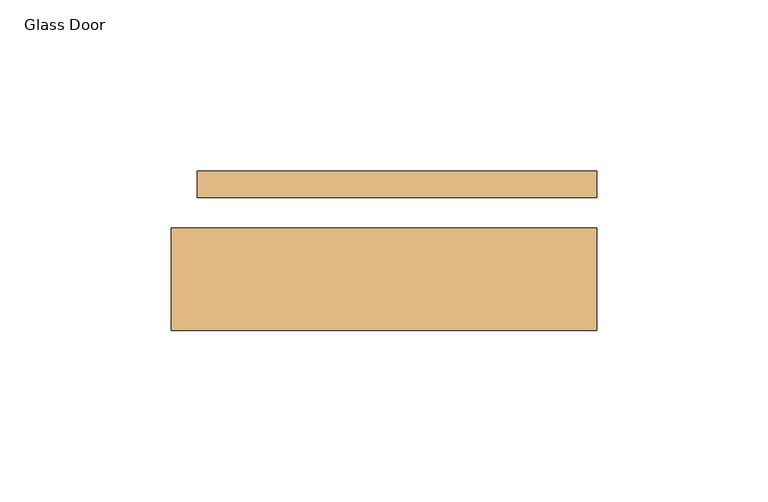
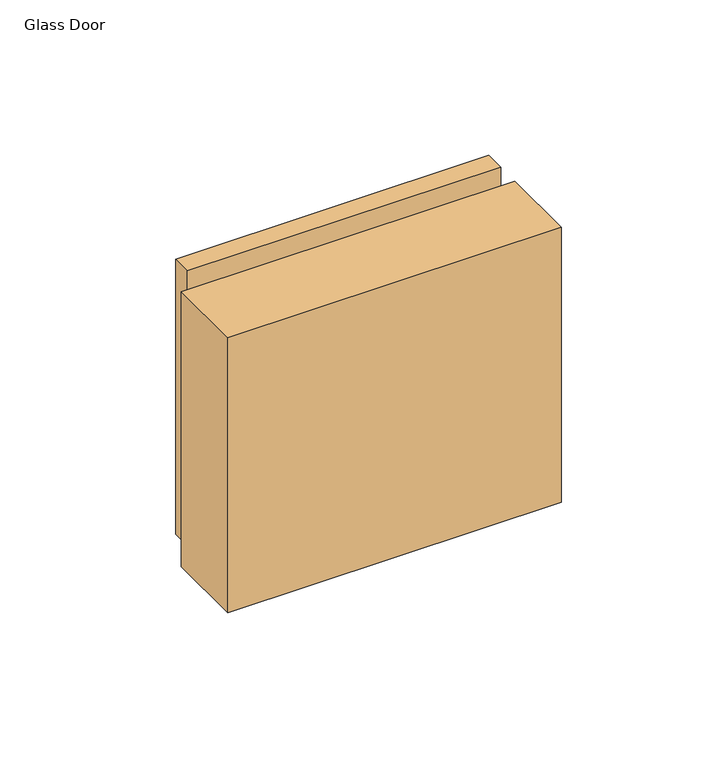
"""IFC4 building model written with IfcOpenShell, lengths in millimetres: door geometry, Glass Door."""

import ifcopenshell
import ifcopenshell.guid

model = None  # the IFC model being written
_history = None  # IfcOwnerHistory: only IFC2X3 demands one
_inside = {}  # id of a spatial element -> (the spatial element, [elements in it])
_under = {}  # id of a project, library or spatial element -> (it, [spatial elements below it])
_declared = {}  # id of a project -> (the project, [libraries it declares])
_typed = {}  # id of a type object -> (the type object, [elements of that type])
_made_of = {}  # id of a material, layer set ... -> (it, [elements and type objects made of it])


def new_model(schema):
    """Start an empty IFC model of exactly this schema.

    Asked for "IFC4X3", IfcOpenShell would pick the latest addendum, in which some entities
    have other attributes; the version numbers below select the first issue.
    IFC2X3 requires an IfcOwnerHistory on every rooted entity: one is made here for all.
    """
    global model, _history
    if schema == "IFC4X3":
        model = ifcopenshell.file(schema_version=(4, 3, 0, 0))
    else:
        model = ifcopenshell.file(schema=schema)
    _inside.clear()
    _under.clear()
    _declared.clear()
    _typed.clear()
    _made_of.clear()
    _history = None
    if model.schema == "IFC2X3":
        org = make("IfcOrganization", Name="unknown")
        user = make(
            "IfcPersonAndOrganization",
            ThePerson=make("IfcPerson", FamilyName="unknown"),
            TheOrganization=org,
        )
        app = make(
            "IfcApplication",
            ApplicationDeveloper=org,
            Version="unknown",
            ApplicationFullName="unknown",
            ApplicationIdentifier="unknown",
        )
        _history = make(
            "IfcOwnerHistory",
            OwningUser=user,
            OwningApplication=app,
            ChangeAction="ADDED",
            CreationDate=0,
        )
    return model


def make(cls, **values):
    """One entity of the class cls with the attributes given. An attribute that is None is left unset."""
    return model.create_entity(
        cls, **{name: value for name, value in values.items() if value is not None}
    )


def rooted(cls, **values):
    """An entity with a GlobalId (a new one), such as an element, a storey or a relation."""
    return make(cls, GlobalId=ifcopenshell.guid.new(), OwnerHistory=_history, **values)


def si_unit(unit_type, name, prefix=None):
    """IfcSIUnit, for example si_unit("LENGTHUNIT", "METRE", prefix="MILLI")."""
    return make("IfcSIUnit", UnitType=unit_type, Prefix=prefix, Name=name)


def assignment(units):
    """IfcUnitAssignment: the units of a project."""
    return None if units is None else make("IfcUnitAssignment", Units=units)


def point(xyz):
    """IfcCartesianPoint."""
    return None if xyz is None else make("IfcCartesianPoint", Coordinates=xyz)


def direction(xyz):
    """IfcDirection."""
    return None if xyz is None else make("IfcDirection", DirectionRatios=xyz)


def frame(location, z_axis=None, x_axis=None):
    """IfcAxis2Placement3D, a coordinate frame: its origin and axes. An axis left out is left unset."""
    return make(
        "IfcAxis2Placement3D",
        Location=point(location),
        Axis=direction(z_axis),
        RefDirection=direction(x_axis),
    )


def origin():
    """The frame at (0, 0, 0) with its axes left unset."""
    return frame((0.0, 0.0, 0.0))


def place(relative_to, where):
    """IfcLocalPlacement: puts the frame where relative to a parent placement (None: the world)."""
    return make(
        "IfcLocalPlacement", PlacementRelTo=relative_to, RelativePlacement=where
    )


def context(
    kind, dimensions, precision=None, world=None, true_north=None, identifier=None
):
    """IfcGeometricRepresentationContext, for example the 3D "Model" context."""
    return make(
        "IfcGeometricRepresentationContext",
        ContextIdentifier=identifier,
        ContextType=kind,
        CoordinateSpaceDimension=dimensions,
        Precision=precision,
        WorldCoordinateSystem=world,
        TrueNorth=true_north,
    )


def project(units=None, contexts=None):
    """IfcProject with its units and contexts."""
    return rooted(
        "IfcProject",
        Name="project",
        RepresentationContexts=contexts,
        UnitsInContext=assignment(units),
    )


def spatial(cls, under=None, at=None, **own):
    """A site, building, storey or space (cls), placed at a placement, below another one or the project."""
    s = rooted(cls, ObjectPlacement=at, **own)
    if under is not None:
        _under.setdefault(under.id(), (under, []))[1].append(s)
    return s


def polyline(points):
    """IfcPolyline through the points."""
    return make("IfcPolyline", Points=[point(p) for p in points])


def outline(outer, holes=None, kind="AREA"):
    """IfcArbitraryClosedProfileDef: a profile drawn as a closed curve; with holes, ...WithVoids."""
    if holes is None:
        return make("IfcArbitraryClosedProfileDef", ProfileType=kind, OuterCurve=outer)
    return make(
        "IfcArbitraryProfileDefWithVoids",
        ProfileType=kind,
        OuterCurve=outer,
        InnerCurves=holes,
    )


def extrude(swept, where, along, depth):
    """IfcExtrudedAreaSolid: the profile swept, set in the frame where, extruded along a direction by depth."""
    return make(
        "IfcExtrudedAreaSolid",
        SweptArea=swept,
        Position=where,
        ExtrudedDirection=direction(along),
        Depth=depth,
    )


def shape(context_of_items, identifier, shape_type, items):
    """IfcShapeRepresentation: the items that make up one representation, for example the "Body"."""
    return make(
        "IfcShapeRepresentation",
        ContextOfItems=context_of_items,
        RepresentationIdentifier=identifier,
        RepresentationType=shape_type,
        Items=items,
    )


def source(mapping_origin, context_of_items, identifier, shape_type, items):
    """IfcRepresentationMap: a shape defined once, which mapped items show again and again."""
    return make(
        "IfcRepresentationMap",
        MappingOrigin=mapping_origin,
        MappedRepresentation=shape(context_of_items, identifier, shape_type, items),
    )


def transform(
    local_origin,
    x_axis=None,
    y_axis=None,
    z_axis=None,
    scale=None,
    scale2=None,
    scale3=None,
    uniform=True,
):
    """IfcCartesianTransformationOperator3D, or its non-uniform kind. x_axis, y_axis, z_axis: its Axis1, 2, 3."""
    if uniform:
        return make(
            "IfcCartesianTransformationOperator3D",
            Axis1=direction(x_axis),
            Axis2=direction(y_axis),
            LocalOrigin=point(local_origin),
            Scale=scale,
            Axis3=direction(z_axis),
        )
    return make(
        "IfcCartesianTransformationOperator3DnonUniform",
        Axis1=direction(x_axis),
        Axis2=direction(y_axis),
        LocalOrigin=point(local_origin),
        Scale=scale,
        Axis3=direction(z_axis),
        Scale2=scale2,
        Scale3=scale3,
    )


def mapped(mapping_source, mapping_target):
    """IfcMappedItem: shows the shape of a source again, moved by a transform."""
    return make(
        "IfcMappedItem", MappingSource=mapping_source, MappingTarget=mapping_target
    )


def made_of(thing, what):
    """Note that an element or type object is made of a material, layer set ...; save() writes the relation."""
    if what is not None:
        _made_of.setdefault(what.id(), (what, []))[1].append(thing)
    return thing


def element(
    cls,
    number,
    at=None,
    inside=None,
    cuts=None,
    type_object=None,
    material=None,
    context=None,
    identifier="Body",
    shape_type=None,
    held_by="IfcProductDefinitionShape",
    body=None,
    shapes=None,
    **own,
):
    """One element of the class cls, such as IfcWall. Its Tag is "e" and its number.

    at: its placement. inside: the storey or other place that contains it. cuts: it is an
    opening in that element (IfcRelVoidsElement). A single representation is given by context,
    identifier, shape_type and body (its items); several are given by shapes. held_by: the class
    of the entity that holds the representations. save() writes the other relations.
    """
    e = rooted(cls, Tag="e%d" % number, ObjectPlacement=at, **own)
    if body is not None:
        shapes = [shape(context, identifier, shape_type, body)]
    if shapes is not None:
        e.Representation = make(held_by, Representations=shapes)
    if inside is not None:
        _inside.setdefault(inside.id(), (inside, []))[1].append(e)
    if cuts is not None:
        rooted(
            "IfcRelVoidsElement", RelatingBuildingElement=cuts, RelatedOpeningElement=e
        )
    if type_object is not None:
        _typed.setdefault(type_object.id(), (type_object, []))[1].append(e)
    return made_of(e, material)


def aggregate(whole, parts):
    """IfcRelAggregates: a whole, such as a stair, and the parts it consists of."""
    return rooted("IfcRelAggregates", RelatingObject=whole, RelatedObjects=parts)


def save(model, path):
    """Write the relations noted so far, then the file.

    IfcRelAggregates (storeys below a building ...), IfcRelContainedInSpatialStructure (elements
    in a storey), IfcRelDefinesByType, IfcRelAssociatesMaterial and IfcRelDeclares: one each for
    every whole, place, type object, material and project.
    """
    for whole, parts in _under.values():
        aggregate(whole, parts)
    for where, things in _inside.values():
        rooted(
            "IfcRelContainedInSpatialStructure",
            RelatedElements=things,
            RelatingStructure=where,
        )
    for kind, things in _typed.values():
        rooted("IfcRelDefinesByType", RelatedObjects=things, RelatingType=kind)
    for what, things in _made_of.values():
        rooted("IfcRelAssociatesMaterial", RelatedObjects=things, RelatingMaterial=what)
    for by, libraries in _declared.values():
        rooted("IfcRelDeclares", RelatingContext=by, RelatedDefinitions=libraries)
    model.write(path)


def glass_door_056d267c(model_context):
    return source(origin(), model_context, "Body", "SweptSolid", [
        extrude(outline(polyline([(-349.5702539, -11.6290893), (-349.5702539, -41.4740893), (-473.5631562, -41.4740893), (-473.5631562, -11.6290893), (-349.5702539, -11.6290893)])), frame((0.0, 0.0, 952.4309645), z_axis=(0.0, 0.0, 1.0), x_axis=(1.0, 0.0, 0.0)), (0.0, 0.0, 1.0), 108.090611),
        extrude(outline(polyline([(-466.0583342, -2.6120893), (-466.0583342, 5.0079107), (-349.5702539, 5.0079107), (-349.5702539, -2.6120893), (-466.0583342, -2.6120893)])), frame((0.0, 0.0, 952.4309645), z_axis=(0.0, 0.0, 1.0), x_axis=(1.0, 0.0, 0.0)), (0.0, 0.0, 1.0), 108.090611),
    ])


if __name__ == "__main__":
    model = new_model("IFC4")
    model_context = context("Model", 3, world=origin())
    ifc_project = project(units=[si_unit("LENGTHUNIT", "METRE", prefix="MILLI")], contexts=[model_context])
    site = spatial("IfcSite", under=ifc_project)
    building = spatial("IfcBuilding", under=site)
    placement = place(None, origin())
    glass_door_shape = glass_door_056d267c(model_context)
    element("IfcDoor", 1, ObjectType="Glass Door", at=placement, inside=building, context=model_context, shape_type="MappedRepresentation", body=[
        mapped(glass_door_shape, transform((0.0, 0.0, 0.0), x_axis=(1.0, 0.0, 0.0), y_axis=(0.0, 1.0, 0.0), z_axis=(0.0, 0.0, 1.0))),
    ])
    save(model, "model.ifc")
